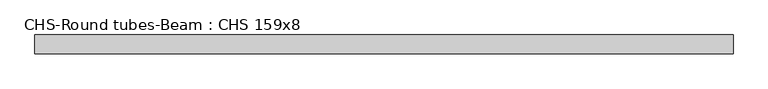
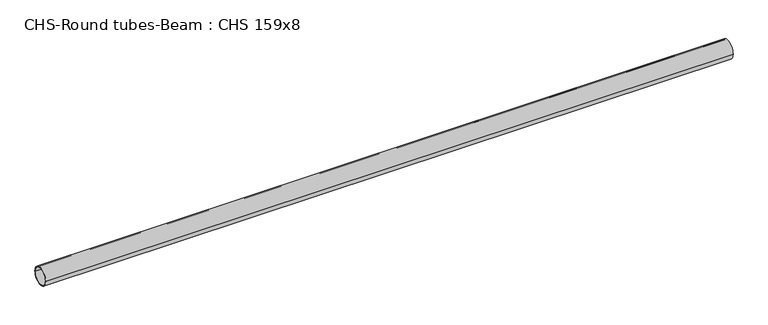
"""IFC4 building model written with IfcOpenShell, lengths in millimetres: beam geometry, CHS-Round tubes-Beam : CHS 159x8."""

from ifc_helpers import new_model, si_unit, point, frame, origin, origin_2d, place, context, project, spatial, circle_curve, trimmed, segment, composite_curve, outline, extrude, source, transform, mapped, element, save


def chs_round_tubes_beam_chs_159x8_8f5e246b(model_context):
    return source(origin(), model_context, "Body", "SweptSolid", [
        extrude(outline(composite_curve([segment(trimmed(circle_curve(origin_2d(), 79.5), [point((79.5, 0.0))], [point((-79.5, 0.0))], False, "CARTESIAN"), True, "CONTINUOUS"), segment(trimmed(circle_curve(origin_2d(), 79.5), [point((-79.5, 0.0))], [point((79.5, 0.0))], False, "CARTESIAN"), True, "CONTINUOUS")], self_intersect=False), holes=[composite_curve([segment(trimmed(circle_curve(origin_2d(), 71.5), [point((71.5, 0.0))], [point((-71.5, 0.0))], True, "CARTESIAN"), True, "CONTINUOUS"), segment(trimmed(circle_curve(origin_2d(), 71.5), [point((-71.5, 0.0))], [point((71.5, 0.0))], True, "CARTESIAN"), True, "CONTINUOUS")], self_intersect=False)]), frame((-2961.5128429, 0.0, 0.0), z_axis=(1.0, 0.0, 0.0), x_axis=(0.0, 1.0, 0.0)), (0.0, 0.0, 1.0), 5923.0256858),
    ])


if __name__ == "__main__":
    model = new_model("IFC4")
    model_context = context("Model", 3, world=origin())
    ifc_project = project(units=[si_unit("LENGTHUNIT", "METRE", prefix="MILLI")], contexts=[model_context])
    site = spatial("IfcSite", under=ifc_project)
    building = spatial("IfcBuilding", under=site)
    placement = place(None, origin())
    chs_round_tubes_beam_chs_159x8_shape = chs_round_tubes_beam_chs_159x8_8f5e246b(model_context)
    element("IfcBeam", 1, ObjectType="CHS-Round tubes-Beam : CHS 159x8", at=placement, inside=building, context=model_context, shape_type="MappedRepresentation", body=[
        mapped(chs_round_tubes_beam_chs_159x8_shape, transform((0.0, 0.0, 0.0), x_axis=(1.0, 0.0, 0.0), y_axis=(0.0, 1.0, 0.0), z_axis=(0.0, 0.0, 1.0))),
    ])
    save(model, "model.ifc")
